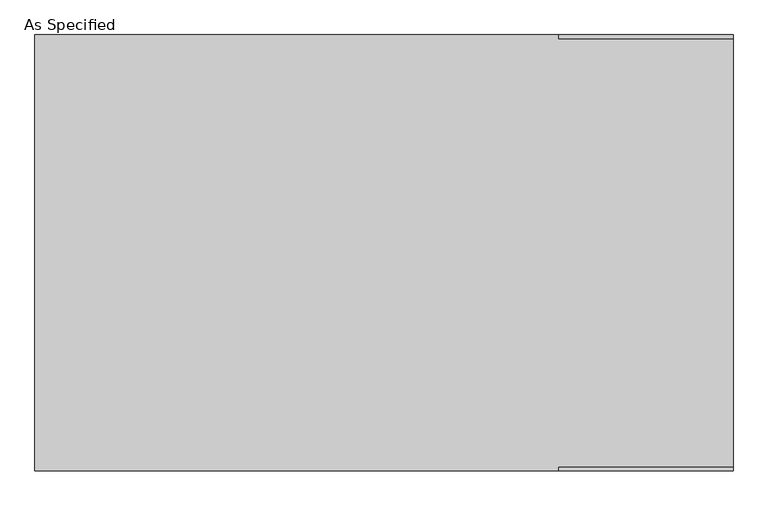
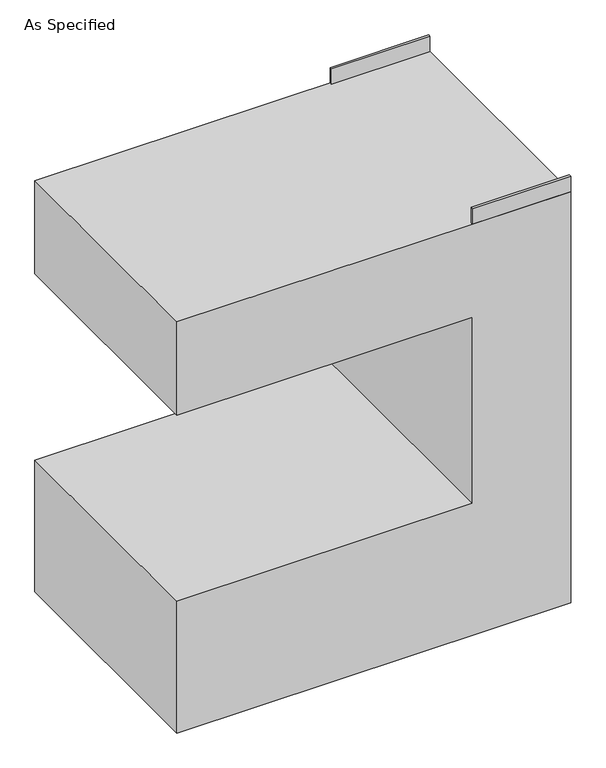
"""IFC4 building model written with IfcOpenShell, lengths in millimetres: proxy geometry, As Specified."""

from ifc_helpers import new_model, si_unit, frame, origin, place, context, project, spatial, polyline, outline, extrude, source, transform, mapped, element, save


def as_specified_82dfce42(model_context):
    return source(origin(), model_context, "Body", "SweptSolid", [
        extrude(outline(polyline([(304.8, 374.65), (304.8, 381.0), (609.6, 381.0), (609.6, 374.65), (304.8, 374.65)])), frame((0.0, 0.0, 1346.2), z_axis=(0.0, 0.0, 1.0), x_axis=(1.0, 0.0, 0.0)), (0.0, 0.0, 1.0), 50.8),
        extrude(outline(polyline([(304.8, -381.0), (304.8, -374.65), (609.6, -374.65), (609.6, -381.0), (304.8, -381.0)])), frame((0.0, 0.0, 1346.2), z_axis=(0.0, 0.0, 1.0), x_axis=(1.0, 0.0, 0.0)), (0.0, 0.0, 1.0), 50.8),
        extrude(outline(polyline([(1346.2, 609.6), (1346.2, -609.6), (1041.4, -609.6), (1041.4, 304.8), (431.8, 304.8), (431.8, -609.6), (0.0, -609.6), (0.0, 609.6), (1346.2, 609.6)])), frame((0.0, -381.0, 0.0), z_axis=(0.0, 1.0, 0.0), x_axis=(0.0, 0.0, 1.0)), (0.0, 0.0, 1.0), 762.0),
    ])


if __name__ == "__main__":
    model = new_model("IFC4")
    model_context = context("Model", 3, world=origin())
    ifc_project = project(units=[si_unit("LENGTHUNIT", "METRE", prefix="MILLI")], contexts=[model_context])
    site = spatial("IfcSite", under=ifc_project)
    building = spatial("IfcBuilding", under=site)
    placement = place(None, origin())
    as_specified_shape = as_specified_82dfce42(model_context)
    element("IfcBuildingElementProxy", 1, Name="As Specified", ObjectType="As Specified", at=placement, inside=building, context=model_context, shape_type="MappedRepresentation", body=[
        mapped(as_specified_shape, transform((0.0, 0.0, 0.0), x_axis=(1.0, 0.0, 0.0), y_axis=(0.0, 1.0, 0.0), z_axis=(0.0, 0.0, 1.0))),
    ])
    save(model, "model.ifc")
